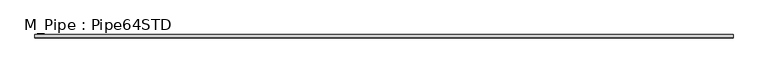
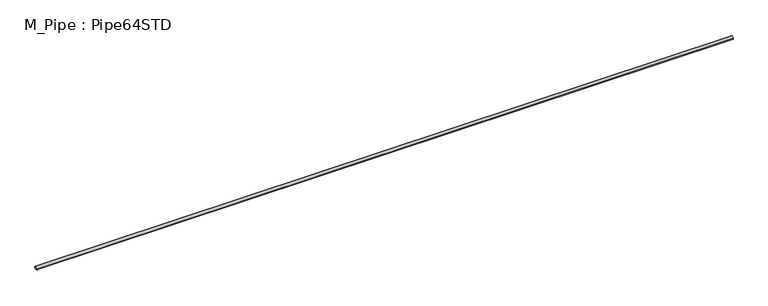
"""IFC4 building model written with IfcOpenShell, lengths in millimetres: beam geometry, M_Pipe : Pipe64STD."""

from ifc_helpers import new_model, si_unit, point, frame, origin, origin_2d, place, context, project, spatial, circle_curve, trimmed, segment, composite_curve, outline, extrude, source, transform, mapped, element, save


def m_pipe_pipe64std_d1bcee35(model_context):
    return source(origin(), model_context, "Body", "SweptSolid", [
        extrude(outline(composite_curve([segment(trimmed(circle_curve(origin_2d(), 36.6), [point((-36.6, 0.0))], [point((36.6, 0.0))], False, "CARTESIAN"), True, "CONTINUOUS"), segment(trimmed(circle_curve(origin_2d(), 36.6), [point((36.6, 0.0))], [point((-36.6, 0.0))], False, "CARTESIAN"), True, "CONTINUOUS")], self_intersect=False), holes=[composite_curve([segment(trimmed(circle_curve(origin_2d(), 31.44), [point((31.44, 0.0))], [point((-31.44, 0.0))], True, "CARTESIAN"), True, "CONTINUOUS"), segment(trimmed(circle_curve(origin_2d(), 31.44), [point((-31.44, 0.0))], [point((31.44, 0.0))], True, "CARTESIAN"), True, "CONTINUOUS")], self_intersect=False)]), frame((-7474.7, 0.0, 0.0), z_axis=(1.0, 0.0, 0.0), x_axis=(0.0, 1.0, 0.0)), (0.0, 0.0, 1.0), 14994.7),
    ])


if __name__ == "__main__":
    model = new_model("IFC4")
    model_context = context("Model", 3, world=origin())
    ifc_project = project(units=[si_unit("LENGTHUNIT", "METRE", prefix="MILLI")], contexts=[model_context])
    site = spatial("IfcSite", under=ifc_project)
    building = spatial("IfcBuilding", under=site)
    placement = place(None, origin())
    m_pipe_pipe64std_shape = m_pipe_pipe64std_d1bcee35(model_context)
    element("IfcBeam", 1, ObjectType="M_Pipe : Pipe64STD", at=placement, inside=building, context=model_context, shape_type="MappedRepresentation", body=[
        mapped(m_pipe_pipe64std_shape, transform((0.0, 0.0, 0.0), x_axis=(1.0, 0.0, 0.0), y_axis=(0.0, 1.0, 0.0), z_axis=(0.0, 0.0, 1.0))),
    ])
    save(model, "model.ifc")
